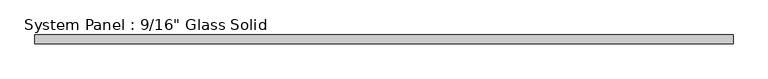
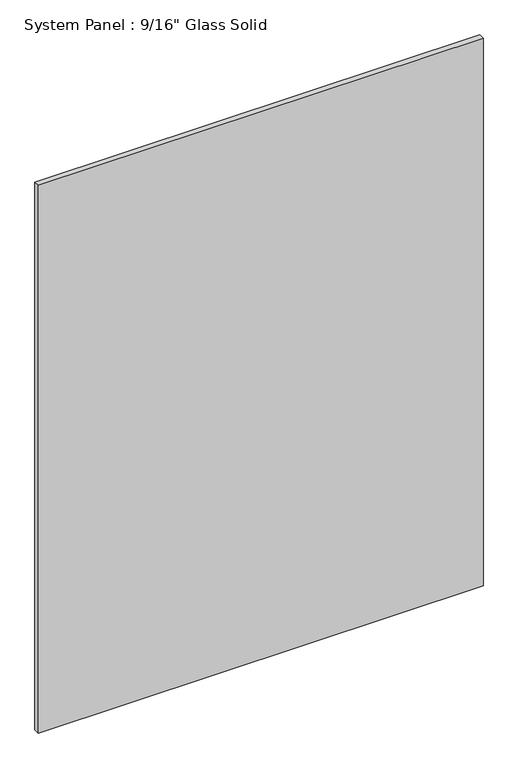
"""IFC4 building model written with IfcOpenShell, lengths in millimetres: plate geometry."""

from ifc_helpers import new_model, si_unit, origin, origin_with_axes, place, context, project, spatial, polyline, outline, extrude, source, transform, mapped, element, save


def plate_ad355752(model_context):
    return source(origin(), model_context, "Body", "SweptSolid", [
        extrude(outline(polyline([(558.2220691, -7.14375), (-558.2220691, -7.14375), (-558.2220691, 7.14375), (558.2220691, 7.14375), (558.2220691, -7.14375)])), origin_with_axes(), (0.0, 0.0, 1.0), 1452.8817704),
    ])


if __name__ == "__main__":
    model = new_model("IFC4")
    model_context = context("Model", 3, world=origin())
    ifc_project = project(units=[si_unit("LENGTHUNIT", "METRE", prefix="MILLI")], contexts=[model_context])
    site = spatial("IfcSite", under=ifc_project)
    building = spatial("IfcBuilding", under=site)
    placement = place(None, origin())
    plate_shape = plate_ad355752(model_context)
    element("IfcPlate", 1, ObjectType="System Panel : 9/16\" Glass Solid", at=placement, inside=building, context=model_context, shape_type="MappedRepresentation", body=[
        mapped(plate_shape, transform((0.0, 0.0, 0.0), x_axis=(1.0, 0.0, 0.0), y_axis=(0.0, 1.0, 0.0), z_axis=(0.0, 0.0, 1.0))),
    ])
    save(model, "model.ifc")
